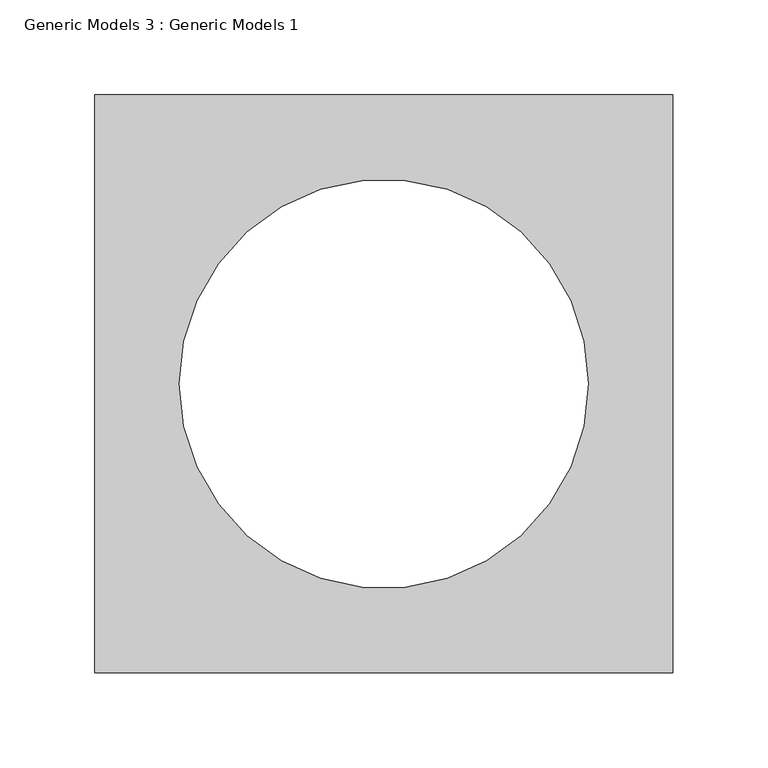
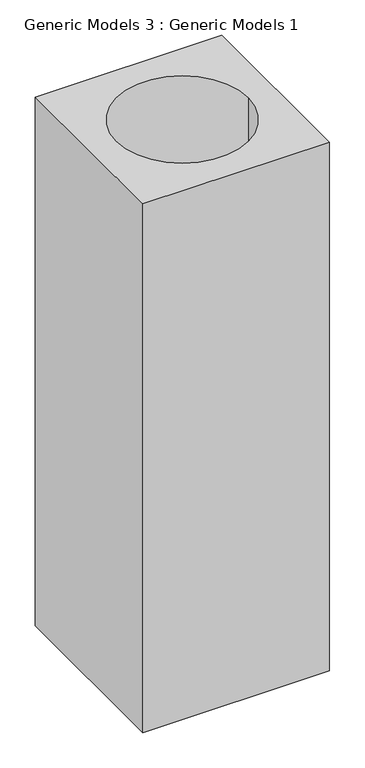
"""IFC4 building model written with IfcOpenShell, lengths in millimetres: proxy geometry, Generic Models 3 : Generic Models 1."""

import ifcopenshell
import ifcopenshell.guid

model = None  # the IFC model being written
_history = None  # IfcOwnerHistory: only IFC2X3 demands one
_inside = {}  # id of a spatial element -> (the spatial element, [elements in it])
_under = {}  # id of a project, library or spatial element -> (it, [spatial elements below it])
_declared = {}  # id of a project -> (the project, [libraries it declares])
_typed = {}  # id of a type object -> (the type object, [elements of that type])
_made_of = {}  # id of a material, layer set ... -> (it, [elements and type objects made of it])


def new_model(schema):
    """Start an empty IFC model of exactly this schema.

    Asked for "IFC4X3", IfcOpenShell would pick the latest addendum, in which some entities
    have other attributes; the version numbers below select the first issue.
    IFC2X3 requires an IfcOwnerHistory on every rooted entity: one is made here for all.
    """
    global model, _history
    if schema == "IFC4X3":
        model = ifcopenshell.file(schema_version=(4, 3, 0, 0))
    else:
        model = ifcopenshell.file(schema=schema)
    _inside.clear()
    _under.clear()
    _declared.clear()
    _typed.clear()
    _made_of.clear()
    _history = None
    if model.schema == "IFC2X3":
        org = make("IfcOrganization", Name="unknown")
        user = make(
            "IfcPersonAndOrganization",
            ThePerson=make("IfcPerson", FamilyName="unknown"),
            TheOrganization=org,
        )
        app = make(
            "IfcApplication",
            ApplicationDeveloper=org,
            Version="unknown",
            ApplicationFullName="unknown",
            ApplicationIdentifier="unknown",
        )
        _history = make(
            "IfcOwnerHistory",
            OwningUser=user,
            OwningApplication=app,
            ChangeAction="ADDED",
            CreationDate=0,
        )
    return model


def make(cls, **values):
    """One entity of the class cls with the attributes given. An attribute that is None is left unset."""
    return model.create_entity(
        cls, **{name: value for name, value in values.items() if value is not None}
    )


def rooted(cls, **values):
    """An entity with a GlobalId (a new one), such as an element, a storey or a relation."""
    return make(cls, GlobalId=ifcopenshell.guid.new(), OwnerHistory=_history, **values)


def si_unit(unit_type, name, prefix=None):
    """IfcSIUnit, for example si_unit("LENGTHUNIT", "METRE", prefix="MILLI")."""
    return make("IfcSIUnit", UnitType=unit_type, Prefix=prefix, Name=name)


def assignment(units):
    """IfcUnitAssignment: the units of a project."""
    return None if units is None else make("IfcUnitAssignment", Units=units)


def point(xyz):
    """IfcCartesianPoint."""
    return None if xyz is None else make("IfcCartesianPoint", Coordinates=xyz)


def direction(xyz):
    """IfcDirection."""
    return None if xyz is None else make("IfcDirection", DirectionRatios=xyz)


def frame(location, z_axis=None, x_axis=None):
    """IfcAxis2Placement3D, a coordinate frame: its origin and axes. An axis left out is left unset."""
    return make(
        "IfcAxis2Placement3D",
        Location=point(location),
        Axis=direction(z_axis),
        RefDirection=direction(x_axis),
    )


def frame_2d(location, x_axis=None):
    """IfcAxis2Placement2D, a coordinate frame in the plane: its origin and x axis."""
    return make(
        "IfcAxis2Placement2D", Location=point(location), RefDirection=direction(x_axis)
    )


def origin():
    """The frame at (0, 0, 0) with its axes left unset."""
    return frame((0.0, 0.0, 0.0))


def origin_with_axes():
    """The frame at (0, 0, 0) with the z axis (0, 0, 1) and the x axis (1, 0, 0) written out."""
    return frame((0.0, 0.0, 0.0), z_axis=(0.0, 0.0, 1.0), x_axis=(1.0, 0.0, 0.0))


def place(relative_to, where):
    """IfcLocalPlacement: puts the frame where relative to a parent placement (None: the world)."""
    return make(
        "IfcLocalPlacement", PlacementRelTo=relative_to, RelativePlacement=where
    )


def context(
    kind, dimensions, precision=None, world=None, true_north=None, identifier=None
):
    """IfcGeometricRepresentationContext, for example the 3D "Model" context."""
    return make(
        "IfcGeometricRepresentationContext",
        ContextIdentifier=identifier,
        ContextType=kind,
        CoordinateSpaceDimension=dimensions,
        Precision=precision,
        WorldCoordinateSystem=world,
        TrueNorth=true_north,
    )


def project(units=None, contexts=None):
    """IfcProject with its units and contexts."""
    return rooted(
        "IfcProject",
        Name="project",
        RepresentationContexts=contexts,
        UnitsInContext=assignment(units),
    )


def spatial(cls, under=None, at=None, **own):
    """A site, building, storey or space (cls), placed at a placement, below another one or the project."""
    s = rooted(cls, ObjectPlacement=at, **own)
    if under is not None:
        _under.setdefault(under.id(), (under, []))[1].append(s)
    return s


def polyline(points):
    """IfcPolyline through the points."""
    return make("IfcPolyline", Points=[point(p) for p in points])


def circle_curve(where, radius):
    """IfcCircle in the frame where."""
    return make("IfcCircle", Position=where, Radius=radius)


def trimmed(basis, trim1, trim2, sense, master):
    """IfcTrimmedCurve: the piece of a basis curve between two trims."""
    return make(
        "IfcTrimmedCurve",
        BasisCurve=basis,
        Trim1=trim1,
        Trim2=trim2,
        SenseAgreement=sense,
        MasterRepresentation=master,
    )


def segment(curve, same_sense, transition):
    """IfcCompositeCurveSegment."""
    return make(
        "IfcCompositeCurveSegment",
        Transition=transition,
        SameSense=same_sense,
        ParentCurve=curve,
    )


def composite_curve(segments, self_intersect=None):
    """IfcCompositeCurve: segments joined end to end."""
    return make("IfcCompositeCurve", Segments=segments, SelfIntersect=self_intersect)


def outline(outer, holes=None, kind="AREA"):
    """IfcArbitraryClosedProfileDef: a profile drawn as a closed curve; with holes, ...WithVoids."""
    if holes is None:
        return make("IfcArbitraryClosedProfileDef", ProfileType=kind, OuterCurve=outer)
    return make(
        "IfcArbitraryProfileDefWithVoids",
        ProfileType=kind,
        OuterCurve=outer,
        InnerCurves=holes,
    )


def extrude(swept, where, along, depth):
    """IfcExtrudedAreaSolid: the profile swept, set in the frame where, extruded along a direction by depth."""
    return make(
        "IfcExtrudedAreaSolid",
        SweptArea=swept,
        Position=where,
        ExtrudedDirection=direction(along),
        Depth=depth,
    )


def shape(context_of_items, identifier, shape_type, items):
    """IfcShapeRepresentation: the items that make up one representation, for example the "Body"."""
    return make(
        "IfcShapeRepresentation",
        ContextOfItems=context_of_items,
        RepresentationIdentifier=identifier,
        RepresentationType=shape_type,
        Items=items,
    )


def source(mapping_origin, context_of_items, identifier, shape_type, items):
    """IfcRepresentationMap: a shape defined once, which mapped items show again and again."""
    return make(
        "IfcRepresentationMap",
        MappingOrigin=mapping_origin,
        MappedRepresentation=shape(context_of_items, identifier, shape_type, items),
    )


def transform(
    local_origin,
    x_axis=None,
    y_axis=None,
    z_axis=None,
    scale=None,
    scale2=None,
    scale3=None,
    uniform=True,
):
    """IfcCartesianTransformationOperator3D, or its non-uniform kind. x_axis, y_axis, z_axis: its Axis1, 2, 3."""
    if uniform:
        return make(
            "IfcCartesianTransformationOperator3D",
            Axis1=direction(x_axis),
            Axis2=direction(y_axis),
            LocalOrigin=point(local_origin),
            Scale=scale,
            Axis3=direction(z_axis),
        )
    return make(
        "IfcCartesianTransformationOperator3DnonUniform",
        Axis1=direction(x_axis),
        Axis2=direction(y_axis),
        LocalOrigin=point(local_origin),
        Scale=scale,
        Axis3=direction(z_axis),
        Scale2=scale2,
        Scale3=scale3,
    )


def mapped(mapping_source, mapping_target):
    """IfcMappedItem: shows the shape of a source again, moved by a transform."""
    return make(
        "IfcMappedItem", MappingSource=mapping_source, MappingTarget=mapping_target
    )


def made_of(thing, what):
    """Note that an element or type object is made of a material, layer set ...; save() writes the relation."""
    if what is not None:
        _made_of.setdefault(what.id(), (what, []))[1].append(thing)
    return thing


def element(
    cls,
    number,
    at=None,
    inside=None,
    cuts=None,
    type_object=None,
    material=None,
    context=None,
    identifier="Body",
    shape_type=None,
    held_by="IfcProductDefinitionShape",
    body=None,
    shapes=None,
    **own,
):
    """One element of the class cls, such as IfcWall. Its Tag is "e" and its number.

    at: its placement. inside: the storey or other place that contains it. cuts: it is an
    opening in that element (IfcRelVoidsElement). A single representation is given by context,
    identifier, shape_type and body (its items); several are given by shapes. held_by: the class
    of the entity that holds the representations. save() writes the other relations.
    """
    e = rooted(cls, Tag="e%d" % number, ObjectPlacement=at, **own)
    if body is not None:
        shapes = [shape(context, identifier, shape_type, body)]
    if shapes is not None:
        e.Representation = make(held_by, Representations=shapes)
    if inside is not None:
        _inside.setdefault(inside.id(), (inside, []))[1].append(e)
    if cuts is not None:
        rooted(
            "IfcRelVoidsElement", RelatingBuildingElement=cuts, RelatedOpeningElement=e
        )
    if type_object is not None:
        _typed.setdefault(type_object.id(), (type_object, []))[1].append(e)
    return made_of(e, material)


def aggregate(whole, parts):
    """IfcRelAggregates: a whole, such as a stair, and the parts it consists of."""
    return rooted("IfcRelAggregates", RelatingObject=whole, RelatedObjects=parts)


def save(model, path):
    """Write the relations noted so far, then the file.

    IfcRelAggregates (storeys below a building ...), IfcRelContainedInSpatialStructure (elements
    in a storey), IfcRelDefinesByType, IfcRelAssociatesMaterial and IfcRelDeclares: one each for
    every whole, place, type object, material and project.
    """
    for whole, parts in _under.values():
        aggregate(whole, parts)
    for where, things in _inside.values():
        rooted(
            "IfcRelContainedInSpatialStructure",
            RelatedElements=things,
            RelatingStructure=where,
        )
    for kind, things in _typed.values():
        rooted("IfcRelDefinesByType", RelatedObjects=things, RelatingType=kind)
    for what, things in _made_of.values():
        rooted("IfcRelAssociatesMaterial", RelatedObjects=things, RelatingMaterial=what)
    for by, libraries in _declared.values():
        rooted("IfcRelDeclares", RelatingContext=by, RelatedDefinitions=libraries)
    model.write(path)


def generic_models_3_generic_models_1_ed5cf694(model_context):
    return source(origin(), model_context, "Body", "SweptSolid", [
        extrude(outline(polyline([(304.8, 609.6), (0.0, 609.6), (0.0, 914.4), (304.8, 914.4), (304.8, 609.6)]), holes=[composite_curve([segment(trimmed(circle_curve(frame_2d((152.4, 762.0)), 107.7630735), [point((44.6369265, 762.0))], [point((260.1630735, 762.0))], True, "CARTESIAN"), True, "CONTINUOUS"), segment(trimmed(circle_curve(frame_2d((152.4, 762.0)), 107.7630735), [point((260.1630735, 762.0))], [point((44.6369265, 762.0))], True, "CARTESIAN"), True, "CONTINUOUS")], self_intersect=False)]), origin_with_axes(), (0.0, 0.0, 1.0), 914.4),
    ])


if __name__ == "__main__":
    model = new_model("IFC4")
    model_context = context("Model", 3, world=origin())
    ifc_project = project(units=[si_unit("LENGTHUNIT", "METRE", prefix="MILLI")], contexts=[model_context])
    site = spatial("IfcSite", under=ifc_project)
    building = spatial("IfcBuilding", under=site)
    placement = place(None, origin())
    generic_models_3_generic_models_1_shape = generic_models_3_generic_models_1_ed5cf694(model_context)
    element("IfcBuildingElementProxy", 1, Name="Generic Models 3 : Generic Models 1", ObjectType="Generic Models 3 : Generic Models 1", at=placement, inside=building, context=model_context, shape_type="MappedRepresentation", body=[
        mapped(generic_models_3_generic_models_1_shape, transform((0.0, 0.0, 0.0), x_axis=(1.0, 0.0, 0.0), y_axis=(0.0, 1.0, 0.0), z_axis=(0.0, 0.0, 1.0))),
    ])
    save(model, "model.ifc")
